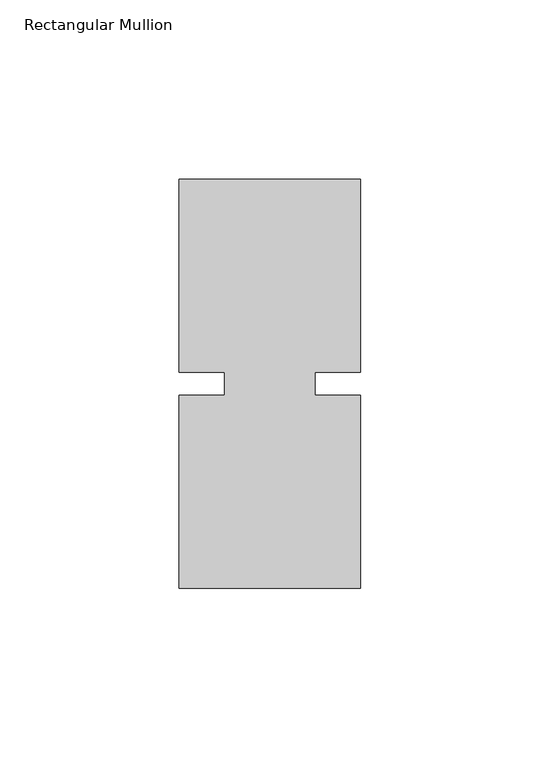
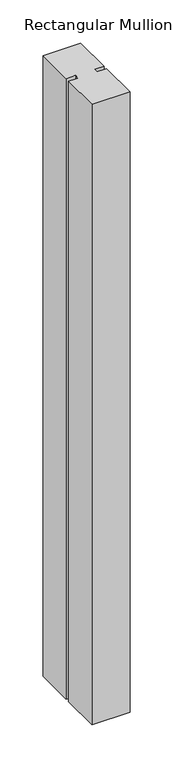
"""IFC4 building model written with IfcOpenShell, lengths in millimetres: member geometry, Rectangular Mullion."""

from ifc_helpers import new_model, si_unit, frame, origin, place, context, project, spatial, polyline, outline, extrude, source, transform, mapped, element, save


def rectangular_mullion_9ed579bf(model_context):
    return source(origin(), model_context, "Body", "SweptSolid", [
        extrude(outline(polyline([(29.7344027, 57.15), (29.7344027, 3.175), (17.0326322, 3.175), (17.0326322, -3.175), (29.7344027, -3.175), (29.7344027, -57.15), (-21.0655973, -57.15), (-21.0655973, -3.175), (-8.3655973, -3.175), (-8.3655973, 3.175), (-21.0655973, 3.175), (-21.0655973, 57.15), (29.7344027, 57.15)])), frame((0.0, 0.0, -880.6344027), z_axis=(0.0, 0.0, 1.0), x_axis=(1.0, 0.0, 0.0)), (0.0, 0.0, 1.0), 880.6344027),
    ])


if __name__ == "__main__":
    model = new_model("IFC4")
    model_context = context("Model", 3, world=origin())
    ifc_project = project(units=[si_unit("LENGTHUNIT", "METRE", prefix="MILLI")], contexts=[model_context])
    site = spatial("IfcSite", under=ifc_project)
    building = spatial("IfcBuilding", under=site)
    placement = place(None, origin())
    rectangular_mullion_shape = rectangular_mullion_9ed579bf(model_context)
    element("IfcMember", 1, ObjectType="Rectangular Mullion", at=placement, inside=building, context=model_context, shape_type="MappedRepresentation", body=[
        mapped(rectangular_mullion_shape, transform((0.0, 0.0, 0.0), x_axis=(1.0, 0.0, 0.0), y_axis=(0.0, 1.0, 0.0), z_axis=(0.0, 0.0, 1.0))),
    ])
    save(model, "model.ifc")
